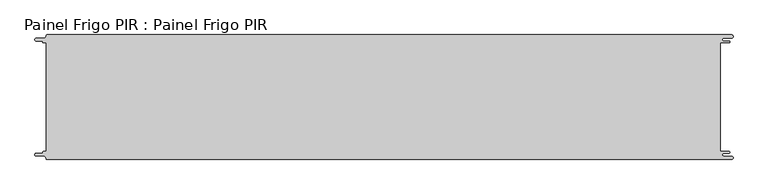
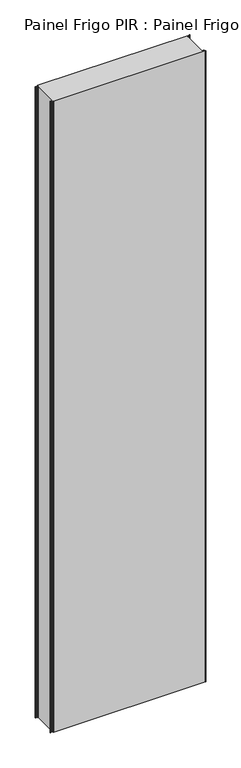
"""IFC4 building model written with IfcOpenShell, lengths in millimetres: proxy geometry, Painel Frigo PIR : Painel Frigo PIR."""

from ifc_helpers import new_model, si_unit, frame, origin, place, context, project, spatial, polyline, circle_curve, source, transform, mapped, element, save
from ifc_brep_helpers import plane_surface, cylinder_surface, revolved_surface, advanced_brep


def painel_frigo_pir_painel_frigo_pir_ac459d7a(model_context):
    return source(origin(), model_context, "Body", "AdvancedBrep", [
        advanced_brep(
        [(-554.5874998, -87.3, 4800.0), (-555.1874998, -87.9, 4800.0), (-555.1874998, -88.7085184, 4800.0), (-556.5875001, -90.1085187, 4800.0), (-565.565625, -90.1085187, 4800.0), (-565.565625, -94.5085185, 4800.0), (-553.55, -94.5085185, 4800.0), (-550.0, -98.0585185, 4800.0), (-548.05, -100.0, 4800.0), (546.89375, -100.0, 4800.0), (546.89375, -94.725, 4800.0), (534.45625, -94.725, 4800.0), (534.45625, -89.875, 4800.0), (543.1187503, -89.875, 4800.0), (543.1187503, -87.3, 4800.0), (529.2687503, -87.3, 4800.0), (529.2687503, 87.3, 4800.0), (543.1187503, 87.3, 4800.0), (543.1187503, 89.875, 4800.0), (534.45625, 89.875, 4800.0), (534.45625, 94.725, 4800.0), (546.89375, 94.725, 4800.0), (546.89375, 100.0, 4800.0), (-548.05, 100.0, 4800.0), (-550.0, 98.05, 4800.0), (-553.55, 94.5085185, 4800.0), (-565.565625, 94.5085185, 4800.0), (-565.565625, 90.1085185, 4800.0), (-556.5875003, 90.1085185, 4800.0), (-555.1875003, 88.7085185, 4800.0), (-555.1875003, 87.9, 4800.0), (-554.5874998, 87.2999995, 4800.0), (-549.2999612, 87.2999995, 4800.0), (-549.2999612, -87.3, 4800.0), (-554.5874998, -87.3, 0.0), (-549.2999612, -87.3, 0.0), (-549.2999612, 87.2999995, 0.0), (-554.5874998, 87.2999995, 0.0), (-555.1875003, 87.9, 0.0), (-555.1875003, 88.7085185, 0.0), (-556.5875003, 90.1085185, 0.0), (-565.565625, 90.1085185, 0.0), (-565.565625, 94.5085185, 0.0), (-553.55, 94.5085185, 0.0), (-550.0, 98.0585185, 0.0), (-548.05, 100.0, 0.0), (546.89375, 100.0, 0.0), (546.89375, 94.725, 0.0), (534.45625, 94.725, 0.0), (534.45625, 89.875, 0.0), (543.1187503, 89.875, 0.0), (543.1187503, 87.3, 0.0), (529.2687503, 87.3, 0.0), (529.2687503, -87.3, 0.0), (543.1187503, -87.3, 0.0), (543.1187503, -89.875, 0.0), (534.45625, -89.875, 0.0), (534.45625, -94.725, 0.0), (546.89375, -94.725, 0.0), (546.89375, -100.0, 0.0), (-548.05, -100.0, 0.0), (-550.0, -98.05, 0.0), (-553.55, -94.5085185, 0.0), (-565.565625, -94.5085185, 0.0), (-565.565625, -90.1085187, 0.0), (-556.5875001, -90.1085187, 0.0), (-555.1874998, -88.7085184, 0.0), (-555.1874998, -87.9, 0.0)],
        [
            (0, 1, circle_curve(frame((-554.5874998, -87.9, 4800.0), z_axis=(0.0, 0.0, 1.0), x_axis=(1.0, 0.0, 0.0)), 0.6)),
            (1, 2),
            (2, 3, circle_curve(frame((-556.5875001, -88.7085184, 4800.0), z_axis=(0.0, 0.0, -1.0), x_axis=(1.0, 0.0, 0.0)), 1.4000003)),
            (3, 4),
            (4, 5, circle_curve(frame((-565.565625, -92.3085186, 4800.0), z_axis=(0.0, 0.0, 1.0), x_axis=(1.0, 0.0, 0.0)), 2.1999999)),
            (5, 6),
            (6, 7, circle_curve(frame((-553.55, -98.0585185, 4800.0), z_axis=(0.0, 0.0, -1.0), x_axis=(1.0, 0.0, 0.0)), 3.55)),
            (7, 8, circle_curve(frame((-548.05, -98.05, 4800.0), z_axis=(0.0, 0.0, 1.0), x_axis=(1.0, 0.0, 0.0)), 1.95)),
            (8, 9),
            (9, 10, circle_curve(frame((546.89375, -97.3625, 4800.0), z_axis=(0.0, 0.0, 1.0), x_axis=(1.0, 0.0, 0.0)), 2.6375)),
            (10, 11),
            (11, 12, circle_curve(frame((534.45625, -92.3, 4800.0), z_axis=(0.0, 0.0, -1.0), x_axis=(1.0, 0.0, 0.0)), 2.425)),
            (12, 13),
            (13, 14, circle_curve(frame((543.1187503, -88.5875, 4800.0), z_axis=(0.0, 0.0, 1.0), x_axis=(1.0, 0.0, 0.0)), 1.2875)),
            (14, 15),
            (15, 16),
            (16, 17),
            (17, 18, circle_curve(frame((543.1187503, 88.5875, 4800.0), z_axis=(0.0, 0.0, 1.0), x_axis=(1.0, 0.0, 0.0)), 1.2875)),
            (18, 19),
            (19, 20, circle_curve(frame((534.45625, 92.3, 4800.0), z_axis=(0.0, 0.0, -1.0), x_axis=(1.0, 0.0, 0.0)), 2.425)),
            (20, 21),
            (21, 22, circle_curve(frame((546.89375, 97.3625, 4800.0), z_axis=(0.0, 0.0, 1.0), x_axis=(1.0, 0.0, 0.0)), 2.6375)),
            (22, 23),
            (23, 24, circle_curve(frame((-548.05, 98.05, 4800.0), z_axis=(0.0, 0.0, 1.0), x_axis=(1.0, 0.0, 0.0)), 1.95)),
            (24, 25, circle_curve(frame((-553.55, 98.0585185, 4800.0), z_axis=(0.0, 0.0, -1.0), x_axis=(1.0, 0.0, 0.0)), 3.55)),
            (25, 26),
            (26, 27, circle_curve(frame((-565.565625, 92.3085185, 4800.0), z_axis=(0.0, 0.0, 1.0), x_axis=(1.0, 0.0, 0.0)), 2.2)),
            (27, 28),
            (28, 29, circle_curve(frame((-556.5875003, 88.7085185, 4800.0), z_axis=(0.0, 0.0, -1.0), x_axis=(1.0, 0.0, 0.0)), 1.4)),
            (29, 30),
            (30, 31, circle_curve(frame((-554.5874998, 87.9, 4800.0), z_axis=(0.0, 0.0, 1.0), x_axis=(1.0, 0.0, 0.0)), 0.6000005)),
            (31, 32),
            (32, 33),
            (33, 0),
            (34, 35),
            (35, 36),
            (36, 37),
            (37, 38, circle_curve(frame((-554.5874998, 87.9, 0.0), z_axis=(0.0, 0.0, -1.0), x_axis=(1.0, 0.0, 0.0)), 0.6000005)),
            (38, 39),
            (39, 40, circle_curve(frame((-556.5875003, 88.7085185, 0.0), z_axis=(0.0, 0.0, 1.0), x_axis=(1.0, 0.0, 0.0)), 1.4)),
            (40, 41),
            (41, 42, circle_curve(frame((-565.565625, 92.3085185, 0.0), z_axis=(0.0, 0.0, -1.0), x_axis=(1.0, 0.0, 0.0)), 2.2)),
            (42, 43),
            (43, 44, circle_curve(frame((-553.55, 98.0585185, 0.0), z_axis=(0.0, 0.0, 1.0), x_axis=(1.0, 0.0, 0.0)), 3.55)),
            (44, 45, circle_curve(frame((-548.05, 98.05, 0.0), z_axis=(0.0, 0.0, -1.0), x_axis=(1.0, 0.0, 0.0)), 1.95)),
            (45, 46),
            (46, 47, circle_curve(frame((546.89375, 97.3625, 0.0), z_axis=(0.0, 0.0, -1.0), x_axis=(1.0, 0.0, 0.0)), 2.6375)),
            (47, 48),
            (48, 49, circle_curve(frame((534.45625, 92.3, 0.0), z_axis=(0.0, 0.0, 1.0), x_axis=(1.0, 0.0, 0.0)), 2.425)),
            (49, 50),
            (50, 51, circle_curve(frame((543.1187503, 88.5875, 0.0), z_axis=(0.0, 0.0, -1.0), x_axis=(1.0, 0.0, 0.0)), 1.2875)),
            (51, 52),
            (52, 53),
            (53, 54),
            (54, 55, circle_curve(frame((543.1187503, -88.5875, 0.0), z_axis=(0.0, 0.0, -1.0), x_axis=(1.0, 0.0, 0.0)), 1.2875)),
            (55, 56),
            (56, 57, circle_curve(frame((534.45625, -92.3, 0.0), z_axis=(0.0, 0.0, 1.0), x_axis=(1.0, 0.0, 0.0)), 2.425)),
            (57, 58),
            (58, 59, circle_curve(frame((546.89375, -97.3625, 0.0), z_axis=(0.0, 0.0, -1.0), x_axis=(1.0, 0.0, 0.0)), 2.6375)),
            (59, 60),
            (60, 61, circle_curve(frame((-548.05, -98.05, 0.0), z_axis=(0.0, 0.0, -1.0), x_axis=(1.0, 0.0, 0.0)), 1.95)),
            (61, 62, circle_curve(frame((-553.55, -98.0585185, 0.0), z_axis=(0.0, 0.0, 1.0), x_axis=(1.0, 0.0, 0.0)), 3.55)),
            (62, 63),
            (63, 64, circle_curve(frame((-565.565625, -92.3085186, 0.0), z_axis=(0.0, 0.0, -1.0), x_axis=(1.0, 0.0, 0.0)), 2.1999999)),
            (64, 65),
            (65, 66, circle_curve(frame((-556.5875001, -88.7085184, 0.0), z_axis=(0.0, 0.0, 1.0), x_axis=(1.0, 0.0, 0.0)), 1.4000003)),
            (66, 67),
            (67, 34, circle_curve(frame((-554.5874998, -87.9, 0.0), z_axis=(0.0, 0.0, -1.0), x_axis=(1.0, 0.0, 0.0)), 0.6)),
            (33, 35),
            (34, 0),
            (32, 36),
            (31, 37),
            (30, 38),
            (29, 39),
            (28, 40),
            (27, 41),
            (26, 42),
            (25, 43),
            (24, 44),
            (23, 45),
            (22, 46),
            (15, 53),
            (52, 16),
            (14, 54),
            (13, 55),
            (12, 56),
            (11, 57),
            (10, 58),
            (9, 59),
            (8, 60),
            (7, 61),
            (6, 62),
            (5, 63),
            (4, 64),
            (3, 65),
            (2, 66),
            (1, 67),
            (21, 47),
            (20, 48),
            (19, 49),
            (18, 50),
            (17, 51),
        ],
        [
            plane_surface(frame((-549.2999612, -87.3, 4800.0), z_axis=(0.0, 0.0, 1.0), x_axis=(1.0, 0.0, 0.0))),
            plane_surface(frame((-549.2999612, -87.3, 0.0), z_axis=(0.0, 0.0, -1.0), x_axis=(-1.0, 0.0, 0.0))),
            plane_surface(frame((-554.5874998, -87.3, 4800.0), z_axis=(0.0, 1.0, 0.0), x_axis=(0.0, 0.0, -1.0))),
            plane_surface(frame((-549.2999612, -87.3, 4800.0), z_axis=(-1.0, 0.0, 0.0), x_axis=(0.0, 0.0, -1.0))),
            plane_surface(frame((-549.2999612, 87.2999995, 4800.0), z_axis=(0.0, -1.0, 0.0), x_axis=(0.0, 0.0, -1.0))),
            cylinder_surface(frame((-554.5874998, 87.9, 0.0), z_axis=(0.0, 0.0, 1.0), x_axis=(1.0, 0.0, 0.0)), 0.6000005),
            plane_surface(frame((-555.1875003, 87.9, 4800.0), z_axis=(-1.0, -1.7578608662330256e-12, 0.0), x_axis=(0.0, 0.0, -1.0))),
            revolved_surface(polyline([(-555.1875003, 88.7085185, 0.0), (-555.1875003, 88.7085185, 4800.0)]), (-556.5875003, 88.7085185, 0.0), (0.0, 0.0, -1.0)),
            plane_surface(frame((-556.5875003, 90.1085185, 4800.0), z_axis=(0.0, -1.0, 0.0), x_axis=(0.0, 0.0, -1.0))),
            cylinder_surface(frame((-565.565625, 92.3085185, 0.0), z_axis=(0.0, 0.0, 1.0), x_axis=(1.0, 0.0, 0.0)), 2.2),
            plane_surface(frame((-565.565625, 94.5085185, 4800.0), z_axis=(0.0, 1.0, 0.0), x_axis=(0.0, 0.0, -1.0))),
            revolved_surface(polyline([(-550.0, 98.0585185, 0.0), (-550.0, 98.0585185, 4800.0)]), (-553.55, 98.0585185, 0.0), (0.0, 0.0, -1.0)),
            cylinder_surface(frame((-548.05, 98.05, 0.0), z_axis=(0.0, 0.0, 1.0), x_axis=(1.0, 0.0, 0.0)), 1.95),
            plane_surface(frame((-548.05, 100.0, 4800.0), z_axis=(0.0, 1.0, 0.0), x_axis=(0.0, 0.0, -1.0))),
            plane_surface(frame((529.2687503, 87.3, 4800.0), z_axis=(1.0, 0.0, 0.0), x_axis=(0.0, 0.0, -1.0))),
            plane_surface(frame((529.2687503, -87.3, 4800.0), z_axis=(0.0, 1.0, 0.0), x_axis=(0.0, 0.0, -1.0))),
            cylinder_surface(frame((543.1187503, -88.5875, 0.0), z_axis=(0.0, 0.0, 1.0), x_axis=(1.0, 0.0, 0.0)), 1.2875),
            plane_surface(frame((543.1187503, -89.875, 4800.0), z_axis=(0.0, -1.0, 0.0), x_axis=(0.0, 0.0, -1.0))),
            revolved_surface(polyline([(536.8812499999999, -92.3, 0.0), (536.8812499999999, -92.3, 4800.0)]), (534.45625, -92.3, 0.0), (0.0, 0.0, -1.0)),
            plane_surface(frame((534.45625, -94.725, 4800.0), z_axis=(0.0, 1.0, 0.0), x_axis=(0.0, 0.0, -1.0))),
            cylinder_surface(frame((546.89375, -97.3625, 0.0), z_axis=(0.0, 0.0, 1.0), x_axis=(1.0, 0.0, 0.0)), 2.6375),
            plane_surface(frame((546.89375, -100.0, 4800.0), z_axis=(0.0, -1.0, 0.0), x_axis=(0.0, 0.0, -1.0))),
            cylinder_surface(frame((-548.05, -98.05, 0.0), z_axis=(0.0, 0.0, 1.0), x_axis=(1.0, 0.0, 0.0)), 1.95),
            revolved_surface(polyline([(-550.0, -98.0585185, 0.0), (-550.0, -98.0585185, 4800.0)]), (-553.55, -98.0585185, 0.0), (0.0, 0.0, -1.0)),
            plane_surface(frame((-553.55, -94.5085185, 4800.0), z_axis=(0.0, -1.0, 0.0), x_axis=(0.0, 0.0, -1.0))),
            cylinder_surface(frame((-565.565625, -92.3085186, 0.0), z_axis=(0.0, 0.0, 1.0), x_axis=(1.0, 0.0, 0.0)), 2.1999999),
            plane_surface(frame((-565.565625, -90.1085187, 4800.0), z_axis=(0.0, 1.0, 0.0), x_axis=(0.0, 0.0, -1.0))),
            revolved_surface(polyline([(-555.1874998000001, -88.7085184, 0.0), (-555.1874998000001, -88.7085184, 4800.0)]), (-556.5875001, -88.7085184, 0.0), (0.0, 0.0, -1.0)),
            plane_surface(frame((-555.1874998, -88.7085184, 4800.0), z_axis=(-1.0, 0.0, 0.0), x_axis=(0.0, 0.0, -1.0))),
            cylinder_surface(frame((-554.5874998, -87.9, 0.0), z_axis=(0.0, 0.0, 1.0), x_axis=(1.0, 0.0, 0.0)), 0.6),
            cylinder_surface(frame((546.89375, 97.3625, 0.0), z_axis=(0.0, 0.0, 1.0), x_axis=(1.0, 0.0, 0.0)), 2.6375),
            plane_surface(frame((546.89375, 94.725, 4800.0), z_axis=(0.0, -1.0, 0.0), x_axis=(0.0, 0.0, -1.0))),
            revolved_surface(polyline([(536.8812499999999, 92.3, 0.0), (536.8812499999999, 92.3, 4800.0)]), (534.45625, 92.3, 0.0), (0.0, 0.0, -1.0)),
            plane_surface(frame((534.45625, 89.875, 4800.0), z_axis=(0.0, 1.0, 0.0), x_axis=(0.0, 0.0, -1.0))),
            cylinder_surface(frame((543.1187503, 88.5875, 0.0), z_axis=(0.0, 0.0, 1.0), x_axis=(1.0, 0.0, 0.0)), 1.2875),
            plane_surface(frame((543.1187503, 87.3, 4800.0), z_axis=(0.0, -1.0, 0.0), x_axis=(0.0, 0.0, -1.0))),
        ],
        [
            (0, [[1, 2, 3, 4, 5, 6, 7, 8, 9, 10, 11, 12, 13, 14, 15, 16, 17, 18, 19, 20, 21, 22, 23, 24, 25, 26, 27, 28, 29, 30, 31, 32, 33, 34]]),
            (1, [[35, 36, 37, 38, 39, 40, 41, 42, 43, 44, 45, 46, 47, 48, 49, 50, 51, 52, 53, 54, 55, 56, 57, 58, 59, 60, 61, 62, 63, 64, 65, 66, 67, 68]]),
            (2, [[69, -35, 70, -34]]),
            (3, [[71, -36, -69, -33]]),
            (4, [[72, -37, -71, -32]]),
            (5, [[73, -38, -72, -31]]),
            (6, [[74, -39, -73, -30]]),
            (7, [[75, -40, -74, -29]]),
            (8, [[76, -41, -75, -28]]),
            (9, [[77, -42, -76, -27]]),
            (10, [[78, -43, -77, -26]]),
            (11, [[79, -44, -78, -25]]),
            (12, [[80, -45, -79, -24]]),
            (13, [[81, -46, -80, -23]]),
            (14, [[82, -53, 83, -16]]),
            (15, [[84, -54, -82, -15]]),
            (16, [[85, -55, -84, -14]]),
            (17, [[86, -56, -85, -13]]),
            (18, [[87, -57, -86, -12]]),
            (19, [[88, -58, -87, -11]]),
            (20, [[89, -59, -88, -10]]),
            (21, [[90, -60, -89, -9]]),
            (22, [[91, -61, -90, -8]]),
            (23, [[92, -62, -91, -7]]),
            (24, [[93, -63, -92, -6]]),
            (25, [[94, -64, -93, -5]]),
            (26, [[95, -65, -94, -4]]),
            (27, [[96, -66, -95, -3]]),
            (28, [[97, -67, -96, -2]]),
            (29, [[-70, -68, -97, -1]]),
            (30, [[98, -47, -81, -22]]),
            (31, [[99, -48, -98, -21]]),
            (32, [[100, -49, -99, -20]]),
            (33, [[101, -50, -100, -19]]),
            (34, [[102, -51, -101, -18]]),
            (35, [[-83, -52, -102, -17]]),
        ],
    ),
    ])


if __name__ == "__main__":
    model = new_model("IFC4")
    model_context = context("Model", 3, world=origin())
    ifc_project = project(units=[si_unit("LENGTHUNIT", "METRE", prefix="MILLI")], contexts=[model_context])
    site = spatial("IfcSite", under=ifc_project)
    building = spatial("IfcBuilding", under=site)
    placement = place(None, origin())
    painel_frigo_pir_painel_frigo_pir_shape = painel_frigo_pir_painel_frigo_pir_ac459d7a(model_context)
    element("IfcBuildingElementProxy", 1, Name="Painel Frigo PIR : Painel Frigo PIR", ObjectType="Painel Frigo PIR : Painel Frigo PIR", at=placement, inside=building, context=model_context, shape_type="MappedRepresentation", body=[
        mapped(painel_frigo_pir_painel_frigo_pir_shape, transform((0.0, 0.0, 0.0), x_axis=(1.0, 0.0, 0.0), y_axis=(0.0, 1.0, 0.0), z_axis=(0.0, 0.0, 1.0))),
    ])
    save(model, "model.ifc")
